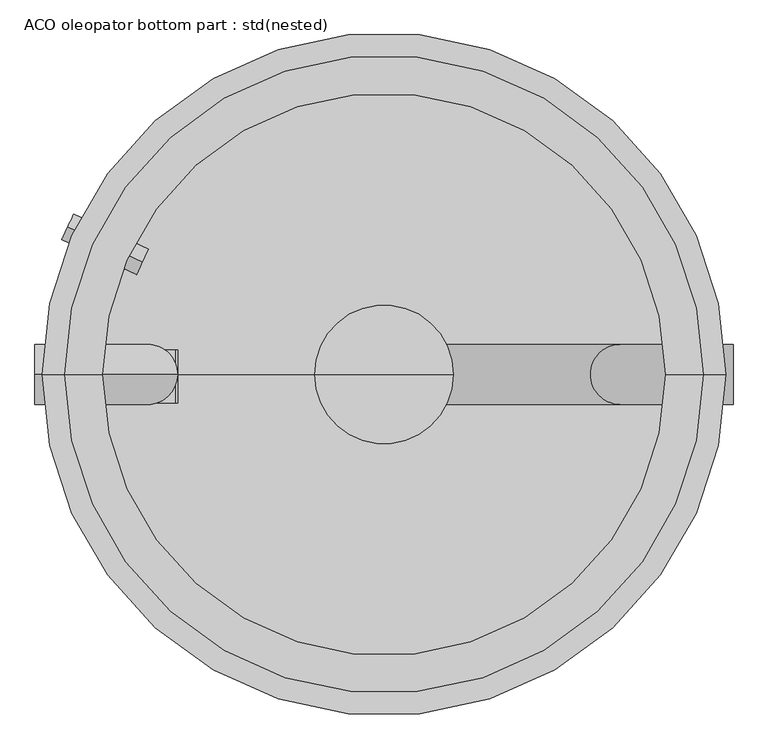
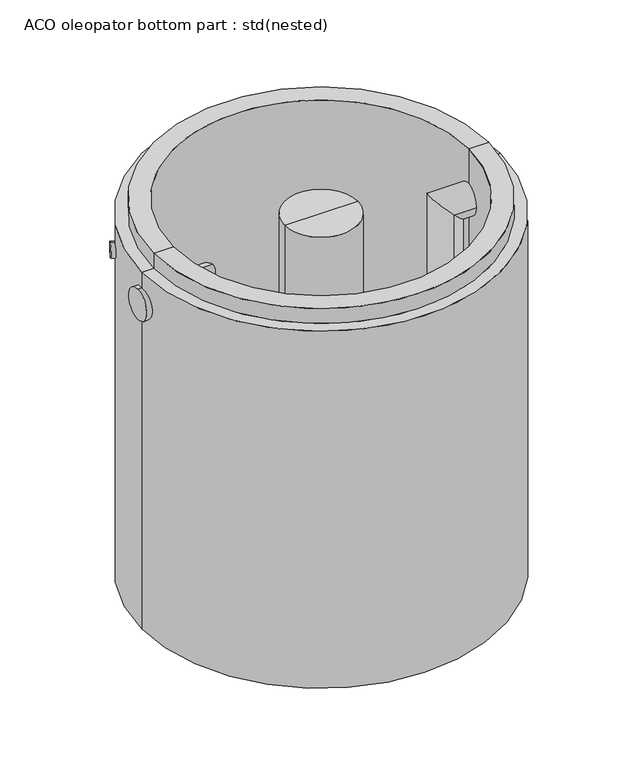
"""IFC4 building model written with IfcOpenShell, lengths in millimetres: unitary equipment geometry, ACO oleopator bottom part : std(nested)."""

from ifc_helpers import new_model, si_unit, point, frame, frame_2d, origin, origin_with_axes, place, context, project, spatial, polyline, circle_curve, ellipse_curve, trimmed, segment, composite_curve, outline, extrude, source, transform, mapped, element, save
from ifc_brep_helpers import plane_surface, cylinder_surface, revolved_surface, advanced_brep


def aco_oleopator_bottom_part_std_nested_80e2eed5(model_context):
    return source(origin(), model_context, "Body", "SolidModel", [
        extrude(outline(polyline([(-819.0, -550.0), (-699.0, -550.0), (-699.0, -555.0), (-814.0, -555.0), (-814.0, -630.0), (-819.0, -630.0), (-819.0, -550.0)])), frame((0.0, -76.3967765, 0.0), z_axis=(0.0, 1.0, 0.0), x_axis=(0.0, 0.0, 1.0)), (0.0, 0.0, 1.0), 141.6888195),
        extrude(outline(composite_curve([segment(trimmed(circle_curve(frame_2d((0.0, -37.5)), 37.5), [point((0.0, -75.0))], [point((0.0, 0.0))], False, "CARTESIAN"), True, "CONTINUOUS"), segment(trimmed(circle_curve(frame_2d((0.0, -37.5)), 37.5), [point((0.0, 0.0))], [point((0.0, -75.0))], False, "CARTESIAN"), True, "CONTINUOUS")], self_intersect=False)), frame((-643.4785288, 300.0589658, -185.4626011), z_axis=(-0.9063077870366502, 0.42261826174069894, 0.0), x_axis=(-0.42261826174069894, -0.9063077870366502, 0.0)), (0.0, 0.0, 1.0), 220.0),
        advanced_brep(
        [(0.0, 80.0, -699.0), (0.0, -80.0, -699.0), (0.0, 80.0, -819.0), (0.0, -80.0, -819.0), (630.0, 80.0, -819.0), (630.0, -80.0, -819.0), (630.0, 80.0, -265.0), (630.0, -80.0, -265.0), (930.0, 80.0, -265.0), (930.0, -80.0, -265.0)],
        [
            (0, 1, circle_curve(frame((0.0, 0.0, -699.0), z_axis=(0.0, 0.0, 1.0), x_axis=(0.0, -1.0, 0.0)), 80.0)),
            (1, 0, circle_curve(frame((0.0, 0.0, -699.0), z_axis=(0.0, 0.0, 1.0), x_axis=(0.0, -1.0, 0.0)), 80.0)),
            (0, 2),
            (2, 3, ellipse_curve(frame((0.0, 0.0, -819.0), z_axis=(-0.7071067811865475, 0.0, 0.7071067811865475), x_axis=(0.7071067811865474, 0.0, 0.7071067811865476)), 113.137085, 80.0)),
            (3, 1),
            (3, 2, ellipse_curve(frame((0.0, 0.0, -819.0), z_axis=(-0.7071067811865475, 0.0, 0.7071067811865475), x_axis=(0.7071067811865474, 0.0, 0.7071067811865476)), 113.137085, 80.0)),
            (2, 4),
            (4, 5, ellipse_curve(frame((630.0, 0.0, -819.0), z_axis=(-0.7071067811865475, 0.0, -0.7071067811865475), x_axis=(-0.7071067811865476, 0.0, 0.7071067811865474)), 113.137085, 80.0)),
            (5, 3),
            (5, 4, ellipse_curve(frame((630.0, 0.0, -819.0), z_axis=(-0.7071067811865475, 0.0, -0.7071067811865475), x_axis=(-0.7071067811865476, 0.0, 0.7071067811865474)), 113.137085, 80.0)),
            (4, 6),
            (6, 7, ellipse_curve(frame((630.0, 0.0, -265.0), z_axis=(-0.7071067811865475, 0.0, -0.7071067811865475), x_axis=(0.7071067811865474, 0.0, -0.7071067811865476)), 113.137085, 80.0)),
            (7, 5),
            (7, 6, ellipse_curve(frame((630.0, 0.0, -265.0), z_axis=(-0.7071067811865475, 0.0, -0.7071067811865475), x_axis=(0.7071067811865474, 0.0, -0.7071067811865476)), 113.137085, 80.0)),
            (8, 9, circle_curve(frame((930.0, 0.0, -265.0), z_axis=(1.0, 0.0, 0.0), x_axis=(0.0, -1.0, 0.0)), 80.0)),
            (9, 8, circle_curve(frame((930.0, 0.0, -265.0), z_axis=(1.0, 0.0, 0.0), x_axis=(0.0, -1.0, 0.0)), 80.0)),
            (6, 8),
            (9, 7),
        ],
        [
            plane_surface(frame((0.0, 0.0, -699.0), z_axis=(0.0, 0.0, 1.0), x_axis=(0.0, -1.0, 0.0))),
            cylinder_surface(frame((0.0, 0.0, -699.0), z_axis=(0.0, 0.0, 1.0), x_axis=(0.0, -1.0, 0.0)), 80.0),
            cylinder_surface(frame((0.0, 0.0, -819.0), z_axis=(-1.0, 0.0, 0.0), x_axis=(0.0, -1.0, 0.0)), 80.0),
            cylinder_surface(frame((630.0, 0.0, -819.0), z_axis=(0.0, 0.0, -1.0), x_axis=(0.0, -1.0, 0.0)), 80.0),
            plane_surface(frame((930.0, 0.0, -265.0), z_axis=(1.0, 0.0, 0.0), x_axis=(0.0, -1.0, 0.0))),
            cylinder_surface(frame((630.0, 0.0, -265.0), z_axis=(-1.0, 0.0, 0.0), x_axis=(0.0, -1.0, 0.0)), 80.0),
        ],
        [
            (0, [[1, 2]]),
            (1, [[-1, 3, 4, 5]]),
            (1, [[-2, -5, 6, -3]]),
            (2, [[-4, 7, 8, 9]]),
            (2, [[-6, -9, 10, -7]]),
            (3, [[-8, 11, 12, 13]]),
            (3, [[-10, -13, 14, -11]]),
            (4, [[15, 16]]),
            (5, [[-12, 17, -16, 18]]),
            (5, [[-14, -18, -15, -17]]),
        ],
    ),
        advanced_brep(
        [(-930.0, 0.0, -325.0), (-930.0, 0.0, -165.0), (-710.0, 0.0, -325.0), (-550.0, 0.0, -165.0), (-710.0, 0.0, -699.0), (-550.0, 0.0, -699.0)],
        [
            (0, 1, circle_curve(frame((-930.0, 0.0, -245.0), z_axis=(-1.0, 0.0, 0.0), x_axis=(0.0, 0.0, 1.0)), 80.0)),
            (1, 0, circle_curve(frame((-930.0, 0.0, -245.0), z_axis=(-1.0, 0.0, 0.0), x_axis=(0.0, 0.0, 1.0)), 80.0)),
            (0, 2),
            (2, 3, ellipse_curve(frame((-630.0, 0.0, -245.0), z_axis=(-0.7071067811865475, 0.0, 0.7071067811865475), x_axis=(-0.7071067811865476, 0.0, -0.7071067811865474)), 113.137085, 80.0)),
            (3, 1),
            (3, 2, ellipse_curve(frame((-630.0, 0.0, -245.0), z_axis=(-0.7071067811865475, 0.0, 0.7071067811865475), x_axis=(-0.7071067811865476, 0.0, -0.7071067811865474)), 113.137085, 80.0)),
            (4, 5, circle_curve(frame((-630.0, 0.0, -699.0), z_axis=(0.0, 0.0, -1.0), x_axis=(1.0, 0.0, 0.0)), 80.0)),
            (5, 4, circle_curve(frame((-630.0, 0.0, -699.0), z_axis=(0.0, 0.0, -1.0), x_axis=(1.0, 0.0, 0.0)), 80.0)),
            (2, 4),
            (5, 3),
        ],
        [
            plane_surface(frame((-930.0, 0.0, -245.0), z_axis=(-1.0, 0.0, 0.0), x_axis=(0.0, -1.0, 0.0))),
            cylinder_surface(frame((-930.0, 0.0, -245.0), z_axis=(-1.0, 0.0, 0.0), x_axis=(0.0, 0.0, 1.0)), 80.0),
            plane_surface(frame((-630.0, 0.0, -699.0), z_axis=(0.0, 0.0, -1.0), x_axis=(0.0, -1.0, 0.0))),
            cylinder_surface(frame((-630.0, 0.0, -245.0), z_axis=(0.0, 0.0, 1.0), x_axis=(1.0, 0.0, 0.0)), 80.0),
        ],
        [
            (0, [[1, 2]]),
            (1, [[-1, 3, 4, 5]]),
            (1, [[-2, -5, 6, -3]]),
            (2, [[7, 8]]),
            (3, [[-4, 9, -8, 10]]),
            (3, [[-6, -10, -7, -9]]),
        ],
    ),
        advanced_brep(
        [(0.0, 0.0, -82.8373104), (185.0, 0.0, -82.8373104), (-185.0, 0.0, -82.8373104), (-185.0, 0.0, -699.0), (185.0, 0.0, -699.0), (0.0, 0.0, -699.0)],
        [
            (0, 1),
            (1, 2, circle_curve(frame((0.0, 0.0, -82.8373104), z_axis=(0.0, 0.0, 1.0), x_axis=(1.0, 0.0, 0.0)), 185.0)),
            (2, 0),
            (2, 1, circle_curve(frame((0.0, 0.0, -82.8373104), z_axis=(0.0, 0.0, 1.0), x_axis=(1.0, 0.0, 0.0)), 185.0)),
            (3, 4, circle_curve(frame((0.0, 0.0, -699.0), z_axis=(0.0, 0.0, -1.0), x_axis=(1.0, 0.0, 0.0)), 185.0)),
            (4, 5),
            (5, 3),
            (4, 3, circle_curve(frame((0.0, 0.0, -699.0), z_axis=(0.0, 0.0, -1.0), x_axis=(1.0, 0.0, 0.0)), 185.0)),
            (1, 4),
            (3, 2),
        ],
        [
            plane_surface(frame((0.0, 0.0, -82.8373104), z_axis=(0.0, 0.0, 1.0), x_axis=(1.0, 0.0, 0.0))),
            plane_surface(frame((0.0, 0.0, -699.0), z_axis=(0.0, 0.0, -1.0), x_axis=(1.0, 0.0, 0.0))),
            cylinder_surface(frame((0.0, 0.0, -240.0), z_axis=(0.0, 0.0, 1.0), x_axis=(1.0, 0.0, 0.0)), 185.0),
        ],
        [
            (0, [[1, 2, 3]]),
            (0, [[-3, 4, -1]]),
            (1, [[5, 6, 7]]),
            (1, [[8, -7, -6]]),
            (2, [[-2, 9, -5, 10]]),
            (2, [[-4, -10, -8, -9]]),
        ],
    ),
        advanced_brep(
        [(0.0, 0.0, -1835.0), (750.0, 0.0, -1835.0), (-750.0, 0.0, -1835.0), (-910.0, 0.0, -1995.0), (910.0, 0.0, -1995.0), (0.0, 0.0, -1995.0), (-910.0, 0.0, -80.0), (910.0, 0.0, -80.0), (750.0, 0.0, 0.0), (-750.0, 0.0, 0.0), (-850.0, 0.0, -80.0), (850.0, 0.0, -80.0), (-850.0, 0.0, 0.0), (850.0, 0.0, 0.0)],
        [
            (0, 1),
            (1, 2, circle_curve(frame((0.0, 0.0, -1835.0), z_axis=(0.0, 0.0, 1.0), x_axis=(1.0, 0.0, 0.0)), 750.0)),
            (2, 0),
            (2, 1, circle_curve(frame((0.0, 0.0, -1835.0), z_axis=(0.0, 0.0, 1.0), x_axis=(1.0, 0.0, 0.0)), 750.0)),
            (3, 4, circle_curve(frame((0.0, 0.0, -1995.0), z_axis=(0.0, 0.0, -1.0), x_axis=(1.0, 0.0, 0.0)), 910.0)),
            (4, 5),
            (5, 3),
            (4, 3, circle_curve(frame((0.0, 0.0, -1995.0), z_axis=(0.0, 0.0, -1.0), x_axis=(1.0, 0.0, 0.0)), 910.0)),
            (6, 7, circle_curve(frame((0.0, 0.0, -80.0), z_axis=(0.0, 0.0, -1.0), x_axis=(1.0, 0.0, 0.0)), 910.0)),
            (7, 4),
            (3, 6),
            (7, 6, circle_curve(frame((0.0, 0.0, -80.0), z_axis=(0.0, 0.0, -1.0), x_axis=(1.0, 0.0, 0.0)), 910.0)),
            (1, 8),
            (8, 9, circle_curve(origin_with_axes(), 750.0)),
            (9, 2),
            (9, 8, circle_curve(origin_with_axes(), 750.0)),
            (10, 11, circle_curve(frame((0.0, 0.0, -80.0), z_axis=(0.0, 0.0, -1.0), x_axis=(1.0, 0.0, 0.0)), 850.0)),
            (11, 7),
            (6, 10),
            (11, 10, circle_curve(frame((0.0, 0.0, -80.0), z_axis=(0.0, 0.0, -1.0), x_axis=(1.0, 0.0, 0.0)), 850.0)),
            (12, 13, circle_curve(frame((0.0, 0.0, 0.0), z_axis=(0.0, 0.0, -1.0), x_axis=(1.0, 0.0, 0.0)), 850.0)),
            (13, 11),
            (10, 12),
            (13, 12, circle_curve(frame((0.0, 0.0, 0.0), z_axis=(0.0, 0.0, -1.0), x_axis=(1.0, 0.0, 0.0)), 850.0)),
            (8, 13),
            (12, 9),
        ],
        [
            plane_surface(frame((0.0, 0.0, -1835.0), z_axis=(0.0, 0.0, 1.0), x_axis=(1.0, 0.0, 0.0))),
            plane_surface(frame((0.0, 0.0, -1995.0), z_axis=(0.0, 0.0, -1.0), x_axis=(1.0, 0.0, 0.0))),
            cylinder_surface(origin_with_axes(), 910.0),
            revolved_surface(polyline([(750.0, 0.0, 0.0), (750.0, 0.0, -1835.0)]), (0.0, 0.0, 0.0), (0.0, 0.0, 1.0)),
            plane_surface(frame((0.0, 0.0, -80.0), z_axis=(0.0, 0.0, 1.0), x_axis=(1.0, 0.0, 0.0))),
            cylinder_surface(origin_with_axes(), 850.0),
            plane_surface(origin_with_axes()),
        ],
        [
            (0, [[1, 2, 3]]),
            (0, [[-3, 4, -1]]),
            (1, [[5, 6, 7]]),
            (1, [[8, -7, -6]]),
            (2, [[9, 10, -5, 11]]),
            (2, [[12, -11, -8, -10]]),
            (3, [[-2, 13, 14, 15]]),
            (3, [[-4, -15, 16, -13]]),
            (4, [[17, 18, -9, 19]]),
            (4, [[20, -19, -12, -18]]),
            (5, [[21, 22, -17, 23]]),
            (5, [[24, -23, -20, -22]]),
            (6, [[-14, 25, -21, 26]]),
            (6, [[-16, -26, -24, -25]]),
        ],
    ),
    ])


if __name__ == "__main__":
    model = new_model("IFC4")
    model_context = context("Model", 3, world=origin())
    ifc_project = project(units=[si_unit("LENGTHUNIT", "METRE", prefix="MILLI")], contexts=[model_context])
    site = spatial("IfcSite", under=ifc_project)
    building = spatial("IfcBuilding", under=site)
    placement = place(None, origin())
    aco_oleopator_bottom_part_std_nested_shape = aco_oleopator_bottom_part_std_nested_80e2eed5(model_context)
    element("IfcUnitaryEquipment", 1, ObjectType="ACO oleopator bottom part : std(nested)", at=placement, inside=building, context=model_context, shape_type="MappedRepresentation", body=[
        mapped(aco_oleopator_bottom_part_std_nested_shape, transform((0.0, 0.0, 0.0), x_axis=(1.0, 0.0, 0.0), y_axis=(0.0, 1.0, 0.0), z_axis=(0.0, 0.0, 1.0))),
    ])
    save(model, "model.ifc")
